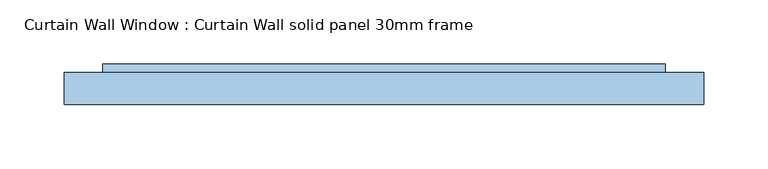
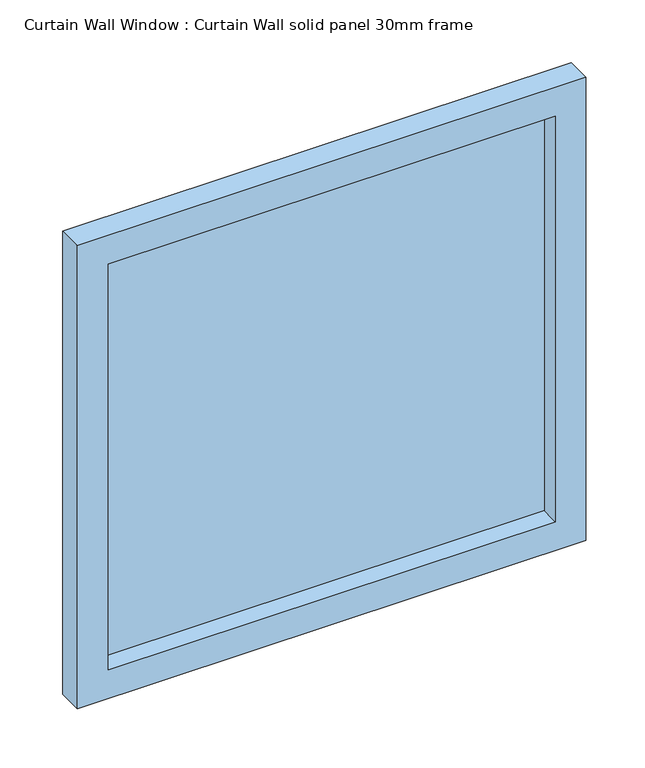
"""IFC4 building model written with IfcOpenShell, lengths in millimetres: window geometry, Curtain Wall Window : Curtain Wall solid panel 30mm frame."""

from ifc_helpers import new_model, si_unit, frame, origin, place, context, project, spatial, polyline, outline, extrude, source, transform, mapped, element, save


def curtain_wall_window_curtain_wall_solid_panel_30mm_frame_40dd8098(model_context):
    return source(origin(), model_context, "Body", "SweptSolid", [
        extrude(outline(polyline([(219.5000232, 19.05), (-219.5000232, 19.05), (-219.5000232, 31.75), (219.5000232, 31.75), (219.5000232, 19.05)])), frame((0.0, 0.0, 30.0), z_axis=(0.0, 0.0, 1.0), x_axis=(1.0, 0.0, 0.0)), (0.0, 0.0, 1.0), 421.0),
        extrude(outline(polyline([(481.0, -249.5000232), (0.0, -249.5000232), (0.0, 249.5000232), (481.0, 249.5000232), (481.0, -249.5000232)]), holes=[polyline([(451.0, -219.5000232), (451.0, 219.5000232), (30.0, 219.5000232), (30.0, -219.5000232), (451.0, -219.5000232)])]), frame((0.0, 0.0, 0.0), z_axis=(0.0, 1.0, 0.0), x_axis=(0.0, 0.0, 1.0)), (0.0, 0.0, 1.0), 25.0),
    ])


if __name__ == "__main__":
    model = new_model("IFC4")
    model_context = context("Model", 3, world=origin())
    ifc_project = project(units=[si_unit("LENGTHUNIT", "METRE", prefix="MILLI")], contexts=[model_context])
    site = spatial("IfcSite", under=ifc_project)
    building = spatial("IfcBuilding", under=site)
    placement = place(None, origin())
    curtain_wall_window_curtain_wall_solid_panel_30mm_frame_shape = curtain_wall_window_curtain_wall_solid_panel_30mm_frame_40dd8098(model_context)
    element("IfcWindow", 1, ObjectType="Curtain Wall Window : Curtain Wall solid panel 30mm frame", at=placement, inside=building, context=model_context, shape_type="MappedRepresentation", body=[
        mapped(curtain_wall_window_curtain_wall_solid_panel_30mm_frame_shape, transform((0.0, 0.0, 0.0), x_axis=(1.0, 0.0, 0.0), y_axis=(0.0, 1.0, 0.0), z_axis=(0.0, 0.0, 1.0))),
    ])
    save(model, "model.ifc")
